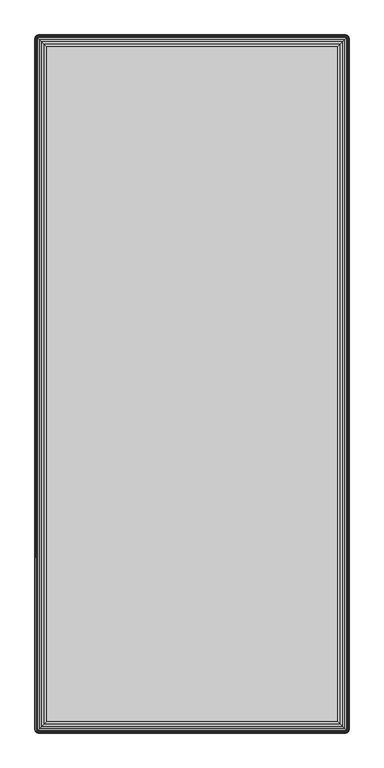
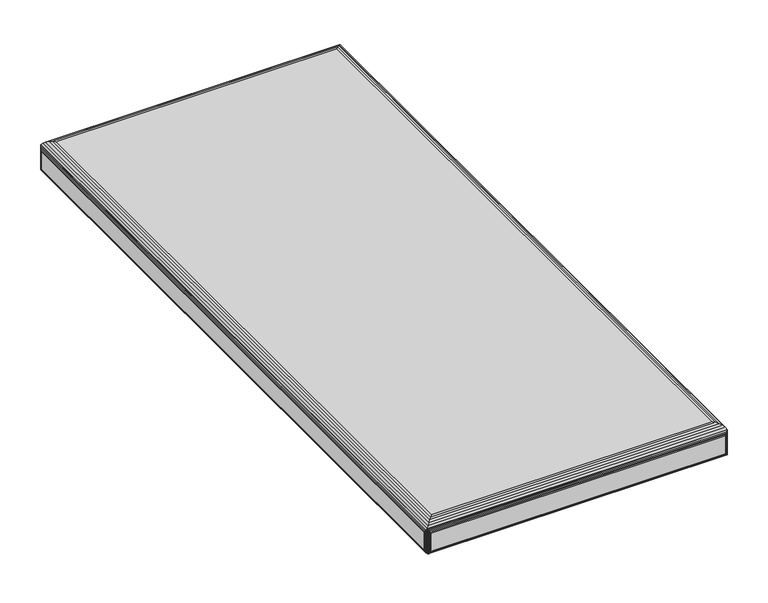
"""IFC4 building model written with IfcOpenShell, lengths in millimetres: furniture geometry."""

from ifc_helpers import new_model, si_unit, origin, place, context, project, spatial, triangles, source, transform, mapped, element, save


def furniture_338df4dd(model_context):
    return source(origin(), model_context, "Body", "Tessellation", [
        triangles([(778.8801554, 802.3042203, 400.0000031), (778.8801554, 1762.3041985, 400.0000031), (1188.8801657, 1762.3041985, 400.0000031), (1188.8801657, 802.3042203, 400.0000031), (778.8801554, 802.3042203, 411.9999973), (1188.8801657, 802.3042203, 411.9999973), (778.8801554, 1762.3041985, 411.9999973), (1188.8801657, 1762.3041985, 411.9999973), (761.3531729, 1781.1581349, 414.4729932), (760.6371555, 1780.5471257, 413.7570122), (760.9331404, 1780.8231263, 452.722984), (761.846166, 1781.4802083, 451.0670168), (762.1561762, 1781.6501107, 415.2759965), (760.7831495, 1780.6881055, 453.0079957), (760.6371555, 1780.5471257, 453.2899916), (762.8331697, 1781.9441334, 449.3739879), (763.0261812, 1782.0101178, 416.1460015), (763.941169, 1782.2301625, 417.0609893), (763.8571625, 1782.2162099, 447.675), (764.8801378, 1782.3041405, 445.9999932), (764.8801378, 1782.3041405, 417.9999945), (760.3611549, 1780.2512135, 452.722984), (760.4961757, 1780.4012044, 453.0079957), (760.0261463, 1779.831181, 414.4729932), (759.5341705, 1779.0281777, 415.2759965), (759.7041456, 1779.3381879, 451.0670168), (759.1741634, 1778.1581727, 416.1460015), (759.2401478, 1778.3511842, 449.3739879), (758.968144, 1777.3271188, 447.675), (758.9541914, 1777.2431123, 417.0609893), (758.8801407, 1776.3042161, 417.9999945), (758.8801407, 1776.3042161, 445.9999932), (1206.4071482, 1781.1581349, 414.4729932), (1207.1231656, 1780.5471257, 413.7570122), (1205.6041631, 1781.6501107, 415.2759965), (1204.7341581, 1782.0101178, 416.1460015), (1203.8191521, 1782.2301625, 417.0609893), (1202.8801651, 1782.3041405, 417.9999945), (761.3531729, 1779.831181, 413.146003), (1206.4071482, 1779.831181, 413.146003), (1205.6041631, 1779.0281777, 412.6539908), (762.1561762, 1779.0281777, 412.6539908), (1204.7341581, 1778.1581727, 412.2939837), (763.0261812, 1778.1581727, 412.2939837), (763.941169, 1777.2431123, 412.0740117), (1203.8191521, 1777.2431123, 412.0740117), (1202.8801651, 1776.3042161, 411.9999973), (764.8801378, 1776.3042161, 411.9999973), (1202.8801651, 1782.3041405, 445.9999932), (1204.9271514, 1781.9441334, 449.3739879), (1203.9031586, 1782.2162099, 447.675), (1205.9141551, 1781.4802083, 451.0670168), (1206.8271626, 1780.8231263, 452.722984), (1206.9771534, 1780.6881055, 453.0079957), (1207.1231656, 1780.5471257, 453.2899916), (762.5671249, 1778.6171563, 456.2169931), (1205.1931598, 1778.6171563, 456.2169931), (1202.6721655, 1776.0971066, 458.653), (765.088192, 1776.0971066, 458.653), (768.0781257, 1773.1061555, 460.4819944), (1199.682159, 1773.1061555, 460.4819944), (771.3951471, 1769.7892068, 461.6160095), (1196.3651558, 1769.7892068, 461.6160095), (774.8801815, 1766.3040997, 461.9999977), (1192.8801578, 1766.3040997, 461.9999977), (1207.7341566, 1779.831181, 414.4729932), (1207.3991662, 1780.2512135, 452.722984), (1208.0561573, 1779.3381879, 451.0670168), (1208.2261506, 1779.0281777, 415.2759965), (1207.2641635, 1780.4012044, 453.0079957), (1208.5201552, 1778.3511842, 449.3739879), (1208.5861577, 1778.1581727, 416.1460015), (1208.8061661, 1777.2431123, 417.0609893), (1208.7921589, 1777.3271188, 447.675), (1208.8801623, 1776.3042161, 445.9999932), (1208.8801623, 1776.3042161, 417.9999945), (760.0261463, 784.7770924, 414.4729932), (760.6371555, 784.0611478, 413.7570122), (760.3611549, 784.3570599, 452.722984), (759.7041456, 785.2700856, 451.0670168), (759.5341705, 785.5802411, 415.2759965), (760.4961757, 784.2070691, 453.0079957), (760.6371555, 784.0611478, 453.2899916), (759.2401478, 786.2572346, 449.3739879), (759.1741634, 786.4502461, 416.1460015), (758.9541914, 787.3650159, 417.0609893), (758.968144, 787.2810094, 447.675), (758.8801407, 788.3042027, 445.9999932), (758.8801407, 788.3042027, 417.9999945), (760.9331404, 783.7852925, 452.722984), (760.7831495, 783.920168, 453.0079957), (761.3531729, 783.4501385, 414.4729932), (762.1561762, 782.9580174, 415.2759965), (761.846166, 783.1280652, 451.0670168), (763.0261812, 782.5981557, 416.1460015), (762.8331697, 782.66414, 449.3739879), (763.8571625, 782.3920636, 447.675), (763.941169, 782.378111, 417.0609893), (764.8801378, 782.3042783, 417.9999945), (764.8801378, 782.3042783, 445.9999932), (762.5671249, 785.9912625, 456.2169931), (765.088192, 788.5111668, 458.653), (768.0781257, 791.5022633, 460.4819944), (771.3951471, 794.819212, 461.6160095), (774.8801815, 798.3041737, 461.9999977), (1206.8271626, 783.7852925, 452.722984), (1206.9771534, 783.920168, 453.0079957), (1207.1231656, 784.0611478, 453.2899916), (1205.9141551, 783.1280652, 451.0670168), (1204.9271514, 782.66414, 449.3739879), (1203.9031586, 782.3920636, 447.675), (1202.8801651, 782.3042783, 445.9999932), (1205.1931598, 785.9912625, 456.2169931), (1202.6721655, 788.5111668, 458.653), (1199.682159, 791.5022633, 460.4819944), (1196.3651558, 794.819212, 461.6160095), (1192.8801578, 798.3041737, 461.9999977), (1202.8801651, 782.3042783, 417.9999945), (1206.4071482, 783.4501385, 414.4729932), (1207.1231656, 784.0611478, 413.7570122), (1205.6041631, 782.9580174, 415.2759965), (1204.7341581, 782.5981557, 416.1460015), (1203.8191521, 782.378111, 417.0609893), (1207.3991662, 784.3570599, 452.722984), (1207.2641635, 784.2070691, 453.0079957), (1207.7341566, 784.7770924, 414.4729932), (1208.2261506, 785.5802411, 415.2759965), (1208.0561573, 785.2700856, 451.0670168), (1208.5861577, 786.4502461, 416.1460015), (1208.5201552, 786.2572346, 449.3739879), (1208.7921589, 787.2810094, 447.675), (1208.8061661, 787.3650159, 417.0609893), (1208.8801623, 788.3042027, 417.9999945), (1208.8801623, 788.3042027, 445.9999932), (1206.4071482, 784.7770924, 413.146003), (761.3531729, 784.7770924, 413.146003), (762.1561762, 785.5802411, 412.6539908), (1205.6041631, 785.5802411, 412.6539908), (763.0261812, 786.4502461, 412.2939837), (1204.7341581, 786.4502461, 412.2939837), (1203.8191521, 787.3650159, 412.0740117), (763.941169, 787.3650159, 412.0740117), (764.8801378, 788.3042027, 411.9999973), (1202.8801651, 788.3042027, 411.9999973)], [[1, 2, 3], [1, 3, 4], [5, 1, 4], [6, 5, 4], [7, 2, 1], [5, 7, 1], [8, 3, 2], [7, 8, 2], [6, 4, 3], [8, 6, 3], [7, 5, 6], [8, 7, 6], [11, 9, 10], [11, 12, 13], [11, 13, 9], [10, 14, 11], [10, 15, 14], [13, 12, 16], [13, 16, 17], [19, 18, 17], [19, 20, 21], [19, 21, 18], [17, 16, 19], [22, 23, 15], [24, 22, 15], [24, 25, 26], [24, 26, 22], [15, 10, 24], [26, 25, 27], [26, 27, 28], [30, 29, 28], [30, 31, 32], [30, 32, 29], [28, 27, 30], [9, 33, 34], [9, 13, 35], [9, 35, 33], [34, 10, 9], [35, 13, 17], [35, 17, 36], [18, 37, 36], [18, 21, 38], [18, 38, 37], [36, 17, 18], [40, 39, 10], [40, 41, 42], [40, 42, 39], [10, 34, 40], [42, 41, 43], [42, 43, 44], [46, 45, 44], [46, 47, 48], [46, 48, 45], [44, 43, 46], [38, 21, 20], [49, 38, 20], [50, 19, 16], [51, 49, 20], [51, 20, 19], [19, 50, 51], [11, 14, 15], [15, 12, 11], [52, 12, 15], [52, 50, 16], [52, 16, 12], [15, 53, 52], [15, 54, 53], [15, 55, 54], [55, 15, 56], [55, 56, 57], [59, 58, 57], [59, 60, 61], [59, 61, 58], [57, 56, 59], [61, 60, 62], [61, 62, 63], [63, 62, 64], [63, 64, 65], [67, 66, 34], [67, 68, 69], [67, 69, 66], [34, 70, 67], [34, 55, 70], [69, 68, 71], [69, 71, 72], [74, 73, 72], [74, 75, 76], [74, 76, 73], [72, 71, 74], [53, 54, 55], [33, 53, 55], [33, 35, 52], [33, 52, 53], [55, 34, 33], [52, 35, 36], [52, 36, 50], [37, 51, 50], [37, 38, 49], [37, 49, 51], [50, 36, 37], [79, 77, 78], [79, 80, 81], [79, 81, 77], [78, 82, 79], [78, 83, 82], [81, 80, 84], [81, 84, 85], [87, 86, 85], [87, 88, 89], [87, 89, 86], [85, 84, 87], [90, 91, 83], [92, 90, 83], [92, 93, 94], [92, 94, 90], [83, 78, 92], [94, 93, 95], [94, 95, 96], [98, 97, 96], [98, 99, 100], [98, 100, 97], [96, 95, 98], [79, 82, 83], [83, 80, 79], [26, 80, 83], [26, 28, 84], [26, 84, 80], [83, 22, 26], [83, 23, 22], [83, 15, 23], [29, 87, 84], [29, 32, 88], [29, 88, 87], [84, 28, 29], [15, 83, 101], [15, 101, 56], [102, 59, 56], [102, 103, 60], [102, 60, 59], [56, 101, 102], [60, 103, 104], [60, 104, 62], [62, 104, 105], [62, 105, 64], [106, 107, 108], [108, 109, 106], [94, 109, 108], [94, 96, 110], [94, 110, 109], [108, 90, 94], [108, 91, 90], [108, 83, 91], [97, 111, 110], [97, 100, 112], [97, 112, 111], [110, 96, 97], [83, 108, 113], [83, 113, 101], [114, 102, 101], [114, 115, 103], [114, 103, 102], [101, 113, 114], [103, 115, 116], [103, 116, 104], [104, 116, 117], [104, 117, 105], [112, 100, 99], [118, 112, 99], [106, 119, 120], [106, 109, 121], [106, 121, 119], [120, 107, 106], [120, 108, 107], [121, 109, 110], [121, 110, 122], [111, 123, 122], [111, 112, 118], [111, 118, 123], [122, 110, 111], [124, 125, 108], [126, 124, 108], [126, 127, 128], [126, 128, 124], [108, 120, 126], [128, 127, 129], [128, 129, 130], [132, 131, 130], [132, 133, 134], [132, 134, 131], [130, 129, 132], [130, 74, 71], [131, 134, 75], [131, 75, 74], [74, 130, 131], [67, 70, 55], [55, 68, 67], [128, 68, 55], [128, 130, 71], [128, 71, 68], [55, 124, 128], [55, 125, 124], [55, 108, 125], [108, 55, 57], [108, 57, 113], [58, 114, 113], [58, 61, 115], [58, 115, 114], [113, 57, 58], [115, 61, 63], [115, 63, 116], [116, 63, 65], [116, 65, 117], [122, 98, 95], [123, 118, 99], [123, 99, 98], [98, 122, 123], [122, 95, 93], [121, 122, 93], [120, 92, 78], [119, 121, 93], [119, 93, 92], [92, 120, 119], [136, 135, 120], [136, 137, 138], [136, 138, 135], [120, 78, 136], [138, 137, 139], [138, 139, 140], [142, 141, 140], [142, 143, 144], [142, 144, 141], [140, 139, 142], [85, 30, 27], [86, 89, 31], [86, 31, 30], [30, 85, 86], [85, 27, 25], [81, 85, 25], [78, 24, 10], [77, 81, 25], [77, 25, 24], [24, 78, 77], [39, 136, 78], [39, 42, 137], [39, 137, 136], [78, 10, 39], [137, 42, 44], [137, 44, 139], [45, 142, 139], [45, 48, 143], [45, 143, 142], [139, 44, 45], [66, 126, 120], [66, 69, 127], [66, 127, 126], [120, 34, 66], [127, 69, 72], [127, 72, 129], [73, 132, 129], [73, 76, 133], [73, 133, 132], [129, 72, 73], [135, 40, 34], [135, 138, 41], [135, 41, 40], [34, 120, 135], [41, 138, 140], [41, 140, 43], [141, 46, 43], [141, 144, 47], [141, 47, 46], [43, 140, 141], [88, 32, 31], [89, 88, 31], [143, 48, 47], [143, 47, 144], [117, 65, 64], [105, 117, 64], [133, 76, 75], [134, 133, 75]]),
    ])


if __name__ == "__main__":
    model = new_model("IFC4")
    model_context = context("Model", 3, world=origin())
    ifc_project = project(units=[si_unit("LENGTHUNIT", "METRE", prefix="MILLI")], contexts=[model_context])
    site = spatial("IfcSite", under=ifc_project)
    building = spatial("IfcBuilding", under=site)
    placement = place(None, origin())
    furniture_shape = furniture_338df4dd(model_context)
    element("IfcFurniture", 1, at=placement, inside=building, context=model_context, shape_type="MappedRepresentation", body=[
        mapped(furniture_shape, transform((0.0, 0.0, 0.0), x_axis=(1.0, 0.0, 0.0), y_axis=(0.0, 1.0, 0.0), z_axis=(0.0, 0.0, 1.0))),
    ])
    save(model, "model.ifc")
